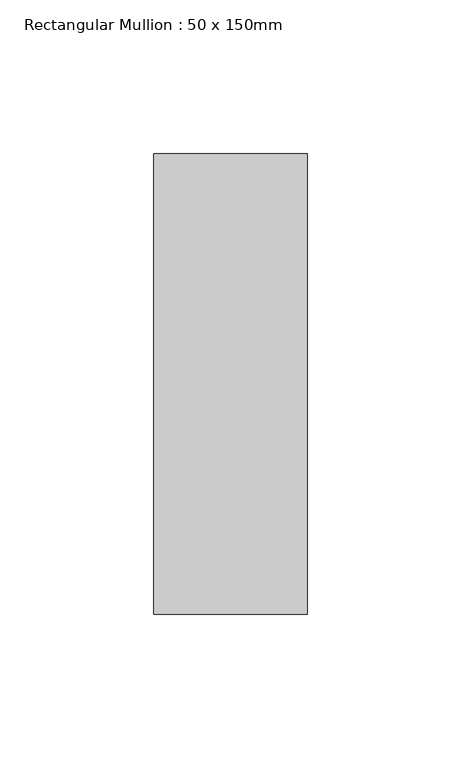
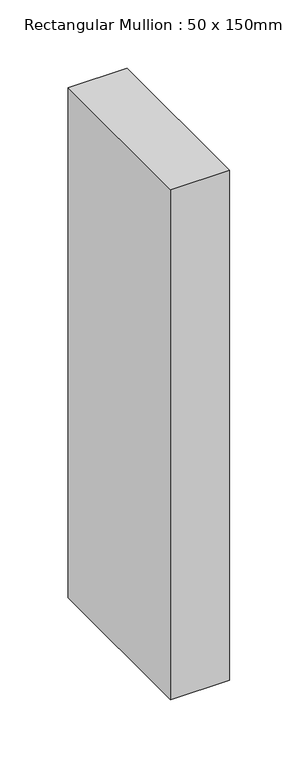
"""IFC4 building model written with IfcOpenShell, lengths in millimetres: member geometry, Rectangular Mullion : 50 x 150mm."""

from ifc_helpers import new_model, si_unit, frame, origin, place, context, project, spatial, polyline, outline, extrude, source, transform, mapped, element, save


def rectangular_mullion_50_x_150mm_fd25c403(model_context):
    return source(origin(), model_context, "Body", "SweptSolid", [
        extrude(outline(polyline([(25.0, 75.0), (25.0, -75.0), (-25.0, -75.0), (-25.0, 75.0), (25.0, 75.0)])), frame((0.0, 0.0, -455.810934), z_axis=(0.0, 0.0, 1.0), x_axis=(1.0, 0.0, 0.0)), (0.0, 0.0, 1.0), 455.810934),
    ])


if __name__ == "__main__":
    model = new_model("IFC4")
    model_context = context("Model", 3, world=origin())
    ifc_project = project(units=[si_unit("LENGTHUNIT", "METRE", prefix="MILLI")], contexts=[model_context])
    site = spatial("IfcSite", under=ifc_project)
    building = spatial("IfcBuilding", under=site)
    placement = place(None, origin())
    rectangular_mullion_50_x_150mm_shape = rectangular_mullion_50_x_150mm_fd25c403(model_context)
    element("IfcMember", 1, ObjectType="Rectangular Mullion : 50 x 150mm", at=placement, inside=building, context=model_context, shape_type="MappedRepresentation", body=[
        mapped(rectangular_mullion_50_x_150mm_shape, transform((0.0, 0.0, 0.0), x_axis=(1.0, 0.0, 0.0), y_axis=(0.0, 1.0, 0.0), z_axis=(0.0, 0.0, 1.0))),
    ])
    save(model, "model.ifc")
